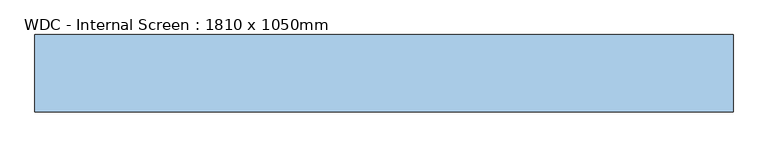
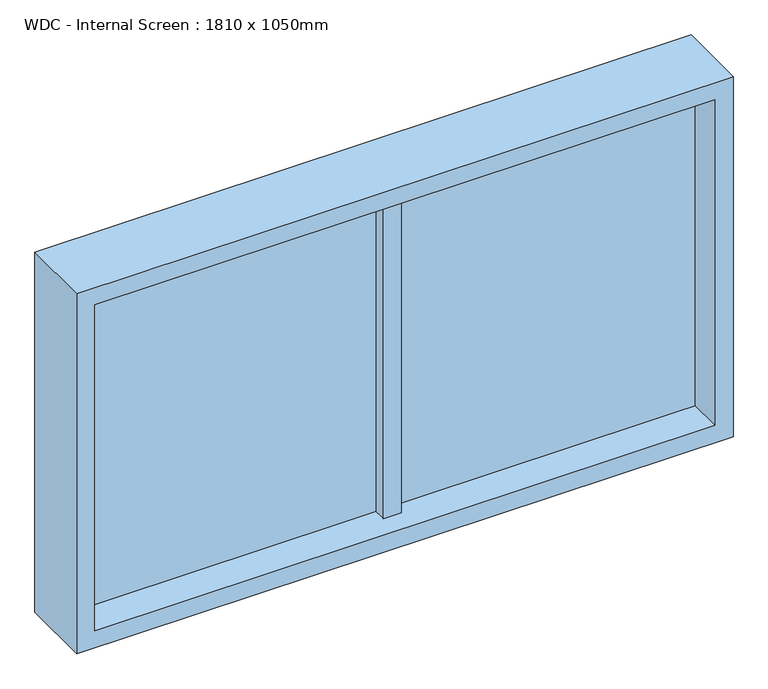
"""IFC4 building model written with IfcOpenShell, lengths in millimetres: window geometry, WDC - Internal Screen : 1810 x 1050mm."""

import ifcopenshell
import ifcopenshell.guid

model = None  # the IFC model being written
_history = None  # IfcOwnerHistory: only IFC2X3 demands one
_inside = {}  # id of a spatial element -> (the spatial element, [elements in it])
_under = {}  # id of a project, library or spatial element -> (it, [spatial elements below it])
_declared = {}  # id of a project -> (the project, [libraries it declares])
_typed = {}  # id of a type object -> (the type object, [elements of that type])
_made_of = {}  # id of a material, layer set ... -> (it, [elements and type objects made of it])


def new_model(schema):
    """Start an empty IFC model of exactly this schema.

    Asked for "IFC4X3", IfcOpenShell would pick the latest addendum, in which some entities
    have other attributes; the version numbers below select the first issue.
    IFC2X3 requires an IfcOwnerHistory on every rooted entity: one is made here for all.
    """
    global model, _history
    if schema == "IFC4X3":
        model = ifcopenshell.file(schema_version=(4, 3, 0, 0))
    else:
        model = ifcopenshell.file(schema=schema)
    _inside.clear()
    _under.clear()
    _declared.clear()
    _typed.clear()
    _made_of.clear()
    _history = None
    if model.schema == "IFC2X3":
        org = make("IfcOrganization", Name="unknown")
        user = make(
            "IfcPersonAndOrganization",
            ThePerson=make("IfcPerson", FamilyName="unknown"),
            TheOrganization=org,
        )
        app = make(
            "IfcApplication",
            ApplicationDeveloper=org,
            Version="unknown",
            ApplicationFullName="unknown",
            ApplicationIdentifier="unknown",
        )
        _history = make(
            "IfcOwnerHistory",
            OwningUser=user,
            OwningApplication=app,
            ChangeAction="ADDED",
            CreationDate=0,
        )
    return model


def make(cls, **values):
    """One entity of the class cls with the attributes given. An attribute that is None is left unset."""
    return model.create_entity(
        cls, **{name: value for name, value in values.items() if value is not None}
    )


def rooted(cls, **values):
    """An entity with a GlobalId (a new one), such as an element, a storey or a relation."""
    return make(cls, GlobalId=ifcopenshell.guid.new(), OwnerHistory=_history, **values)


def si_unit(unit_type, name, prefix=None):
    """IfcSIUnit, for example si_unit("LENGTHUNIT", "METRE", prefix="MILLI")."""
    return make("IfcSIUnit", UnitType=unit_type, Prefix=prefix, Name=name)


def assignment(units):
    """IfcUnitAssignment: the units of a project."""
    return None if units is None else make("IfcUnitAssignment", Units=units)


def point(xyz):
    """IfcCartesianPoint."""
    return None if xyz is None else make("IfcCartesianPoint", Coordinates=xyz)


def direction(xyz):
    """IfcDirection."""
    return None if xyz is None else make("IfcDirection", DirectionRatios=xyz)


def frame(location, z_axis=None, x_axis=None):
    """IfcAxis2Placement3D, a coordinate frame: its origin and axes. An axis left out is left unset."""
    return make(
        "IfcAxis2Placement3D",
        Location=point(location),
        Axis=direction(z_axis),
        RefDirection=direction(x_axis),
    )


def origin():
    """The frame at (0, 0, 0) with its axes left unset."""
    return frame((0.0, 0.0, 0.0))


def place(relative_to, where):
    """IfcLocalPlacement: puts the frame where relative to a parent placement (None: the world)."""
    return make(
        "IfcLocalPlacement", PlacementRelTo=relative_to, RelativePlacement=where
    )


def context(
    kind, dimensions, precision=None, world=None, true_north=None, identifier=None
):
    """IfcGeometricRepresentationContext, for example the 3D "Model" context."""
    return make(
        "IfcGeometricRepresentationContext",
        ContextIdentifier=identifier,
        ContextType=kind,
        CoordinateSpaceDimension=dimensions,
        Precision=precision,
        WorldCoordinateSystem=world,
        TrueNorth=true_north,
    )


def project(units=None, contexts=None):
    """IfcProject with its units and contexts."""
    return rooted(
        "IfcProject",
        Name="project",
        RepresentationContexts=contexts,
        UnitsInContext=assignment(units),
    )


def spatial(cls, under=None, at=None, **own):
    """A site, building, storey or space (cls), placed at a placement, below another one or the project."""
    s = rooted(cls, ObjectPlacement=at, **own)
    if under is not None:
        _under.setdefault(under.id(), (under, []))[1].append(s)
    return s


def polyline(points):
    """IfcPolyline through the points."""
    return make("IfcPolyline", Points=[point(p) for p in points])


def outline(outer, holes=None, kind="AREA"):
    """IfcArbitraryClosedProfileDef: a profile drawn as a closed curve; with holes, ...WithVoids."""
    if holes is None:
        return make("IfcArbitraryClosedProfileDef", ProfileType=kind, OuterCurve=outer)
    return make(
        "IfcArbitraryProfileDefWithVoids",
        ProfileType=kind,
        OuterCurve=outer,
        InnerCurves=holes,
    )


def extrude(swept, where, along, depth):
    """IfcExtrudedAreaSolid: the profile swept, set in the frame where, extruded along a direction by depth."""
    return make(
        "IfcExtrudedAreaSolid",
        SweptArea=swept,
        Position=where,
        ExtrudedDirection=direction(along),
        Depth=depth,
    )


def shape(context_of_items, identifier, shape_type, items):
    """IfcShapeRepresentation: the items that make up one representation, for example the "Body"."""
    return make(
        "IfcShapeRepresentation",
        ContextOfItems=context_of_items,
        RepresentationIdentifier=identifier,
        RepresentationType=shape_type,
        Items=items,
    )


def source(mapping_origin, context_of_items, identifier, shape_type, items):
    """IfcRepresentationMap: a shape defined once, which mapped items show again and again."""
    return make(
        "IfcRepresentationMap",
        MappingOrigin=mapping_origin,
        MappedRepresentation=shape(context_of_items, identifier, shape_type, items),
    )


def transform(
    local_origin,
    x_axis=None,
    y_axis=None,
    z_axis=None,
    scale=None,
    scale2=None,
    scale3=None,
    uniform=True,
):
    """IfcCartesianTransformationOperator3D, or its non-uniform kind. x_axis, y_axis, z_axis: its Axis1, 2, 3."""
    if uniform:
        return make(
            "IfcCartesianTransformationOperator3D",
            Axis1=direction(x_axis),
            Axis2=direction(y_axis),
            LocalOrigin=point(local_origin),
            Scale=scale,
            Axis3=direction(z_axis),
        )
    return make(
        "IfcCartesianTransformationOperator3DnonUniform",
        Axis1=direction(x_axis),
        Axis2=direction(y_axis),
        LocalOrigin=point(local_origin),
        Scale=scale,
        Axis3=direction(z_axis),
        Scale2=scale2,
        Scale3=scale3,
    )


def mapped(mapping_source, mapping_target):
    """IfcMappedItem: shows the shape of a source again, moved by a transform."""
    return make(
        "IfcMappedItem", MappingSource=mapping_source, MappingTarget=mapping_target
    )


def made_of(thing, what):
    """Note that an element or type object is made of a material, layer set ...; save() writes the relation."""
    if what is not None:
        _made_of.setdefault(what.id(), (what, []))[1].append(thing)
    return thing


def element(
    cls,
    number,
    at=None,
    inside=None,
    cuts=None,
    type_object=None,
    material=None,
    context=None,
    identifier="Body",
    shape_type=None,
    held_by="IfcProductDefinitionShape",
    body=None,
    shapes=None,
    **own,
):
    """One element of the class cls, such as IfcWall. Its Tag is "e" and its number.

    at: its placement. inside: the storey or other place that contains it. cuts: it is an
    opening in that element (IfcRelVoidsElement). A single representation is given by context,
    identifier, shape_type and body (its items); several are given by shapes. held_by: the class
    of the entity that holds the representations. save() writes the other relations.
    """
    e = rooted(cls, Tag="e%d" % number, ObjectPlacement=at, **own)
    if body is not None:
        shapes = [shape(context, identifier, shape_type, body)]
    if shapes is not None:
        e.Representation = make(held_by, Representations=shapes)
    if inside is not None:
        _inside.setdefault(inside.id(), (inside, []))[1].append(e)
    if cuts is not None:
        rooted(
            "IfcRelVoidsElement", RelatingBuildingElement=cuts, RelatedOpeningElement=e
        )
    if type_object is not None:
        _typed.setdefault(type_object.id(), (type_object, []))[1].append(e)
    return made_of(e, material)


def aggregate(whole, parts):
    """IfcRelAggregates: a whole, such as a stair, and the parts it consists of."""
    return rooted("IfcRelAggregates", RelatingObject=whole, RelatedObjects=parts)


def save(model, path):
    """Write the relations noted so far, then the file.

    IfcRelAggregates (storeys below a building ...), IfcRelContainedInSpatialStructure (elements
    in a storey), IfcRelDefinesByType, IfcRelAssociatesMaterial and IfcRelDeclares: one each for
    every whole, place, type object, material and project.
    """
    for whole, parts in _under.values():
        aggregate(whole, parts)
    for where, things in _inside.values():
        rooted(
            "IfcRelContainedInSpatialStructure",
            RelatedElements=things,
            RelatingStructure=where,
        )
    for kind, things in _typed.values():
        rooted("IfcRelDefinesByType", RelatedObjects=things, RelatingType=kind)
    for what, things in _made_of.values():
        rooted("IfcRelAssociatesMaterial", RelatedObjects=things, RelatingMaterial=what)
    for by, libraries in _declared.values():
        rooted("IfcRelDeclares", RelatingContext=by, RelatedDefinitions=libraries)
    model.write(path)


def wdc_internal_screen_1810_x_1050mm_a08a4df0(model_context):
    return source(origin(), model_context, "Body", "SweptSolid", [
        extrude(outline(polyline([(25.0, -40.0), (-25.0, -40.0), (-25.0, 100.0), (25.0, 100.0), (25.0, -40.0)])), frame((0.0, 0.0, 1100.0), z_axis=(0.0, 0.0, 1.0), x_axis=(1.0, 0.0, 0.0)), (0.0, 0.0, 1.0), 950.0),
        extrude(outline(polyline([(855.0, -5.0), (-855.0, -5.0), (-855.0, 5.0), (855.0, 5.0), (855.0, -5.0)])), frame((0.0, 0.0, 1100.0), z_axis=(0.0, 0.0, 1.0), x_axis=(1.0, 0.0, 0.0)), (0.0, 0.0, 1.0), 950.0),
        extrude(outline(polyline([(1050.0, 905.0), (2100.0, 905.0), (2100.0, -905.0), (1050.0, -905.0), (1050.0, 905.0)]), holes=[polyline([(1100.0, -855.0), (2050.0, -855.0), (2050.0, 855.0), (1100.0, 855.0), (1100.0, -855.0)])]), frame((0.0, -100.0, 0.0), z_axis=(0.0, 1.0, 0.0), x_axis=(0.0, 0.0, 1.0)), (0.0, 0.0, 1.0), 200.0),
    ])


if __name__ == "__main__":
    model = new_model("IFC4")
    model_context = context("Model", 3, world=origin())
    ifc_project = project(units=[si_unit("LENGTHUNIT", "METRE", prefix="MILLI")], contexts=[model_context])
    site = spatial("IfcSite", under=ifc_project)
    building = spatial("IfcBuilding", under=site)
    placement = place(None, origin())
    wdc_internal_screen_1810_x_1050mm_shape = wdc_internal_screen_1810_x_1050mm_a08a4df0(model_context)
    element("IfcWindow", 1, ObjectType="WDC - Internal Screen : 1810 x 1050mm", at=placement, inside=building, context=model_context, shape_type="MappedRepresentation", body=[
        mapped(wdc_internal_screen_1810_x_1050mm_shape, transform((0.0, 0.0, 0.0), x_axis=(1.0, 0.0, 0.0), y_axis=(0.0, 1.0, 0.0), z_axis=(0.0, 0.0, 1.0))),
    ])
    save(model, "model.ifc")
